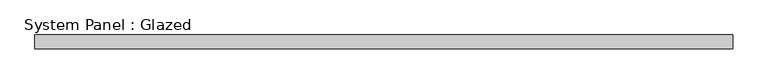
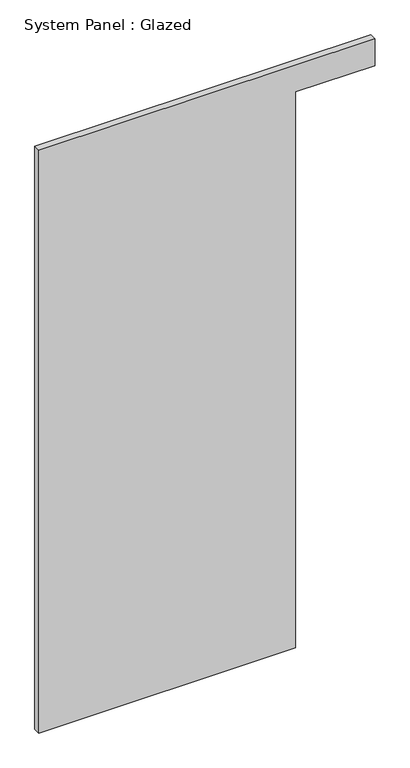
"""IFC4 building model written with IfcOpenShell, lengths in millimetres: plate geometry, System Panel : Glazed."""

from ifc_helpers import new_model, si_unit, frame, origin, place, context, project, spatial, polyline, outline, extrude, source, transform, mapped, element, save


def system_panel_glazed_75040baa(model_context):
    return source(origin(), model_context, "Body", "SweptSolid", [
        extrude(outline(polyline([(0.0, -639.7772725), (0.0, 337.6868267), (2235.2, 337.6868267), (2235.2, 639.7772725), (2343.15, 639.7772725), (2343.15, -639.7772725), (0.0, -639.7772725)])), frame((0.0, 19.05, 0.0), z_axis=(0.0, 1.0, 0.0), x_axis=(0.0, 0.0, 1.0)), (0.0, 0.0, 1.0), 25.4),
    ])


if __name__ == "__main__":
    model = new_model("IFC4")
    model_context = context("Model", 3, world=origin())
    ifc_project = project(units=[si_unit("LENGTHUNIT", "METRE", prefix="MILLI")], contexts=[model_context])
    site = spatial("IfcSite", under=ifc_project)
    building = spatial("IfcBuilding", under=site)
    placement = place(None, origin())
    system_panel_glazed_shape = system_panel_glazed_75040baa(model_context)
    element("IfcPlate", 1, ObjectType="System Panel : Glazed", at=placement, inside=building, context=model_context, shape_type="MappedRepresentation", body=[
        mapped(system_panel_glazed_shape, transform((0.0, 0.0, 0.0), x_axis=(1.0, 0.0, 0.0), y_axis=(0.0, 1.0, 0.0), z_axis=(0.0, 0.0, 1.0))),
    ])
    save(model, "model.ifc")
